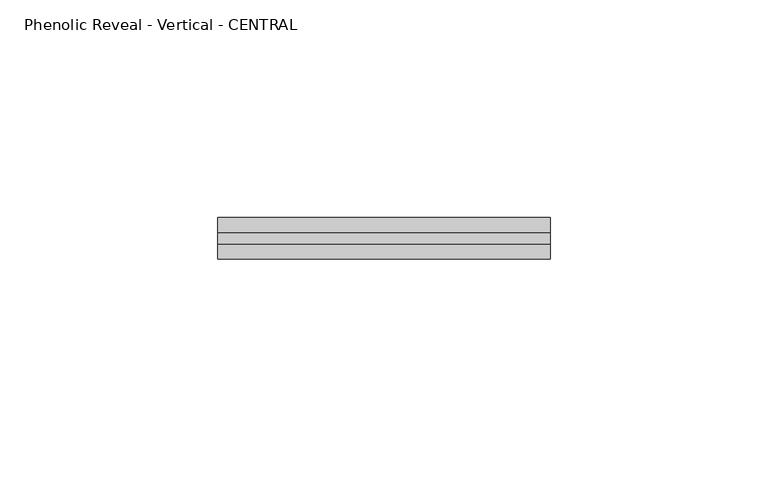
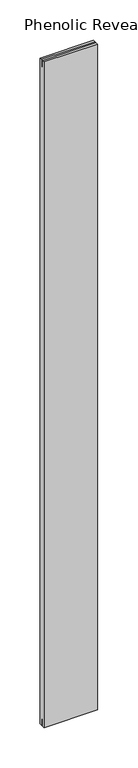
"""IFC4 building model written with IfcOpenShell, lengths in millimetres: proxy geometry, Phenolic Reveal - Vertical - CENTRAL."""

from ifc_helpers import new_model, si_unit, frame, origin, place, context, project, spatial, polyline, outline, extrude, source, transform, mapped, element, save


def phenolic_reveal_vertical_central_ddfded24(model_context):
    return source(origin(), model_context, "Body", "SweptSolid", [
        extrude(outline(polyline([(9.525, 1004.8875), (9.525, 0.0), (6.0765851, 0.0), (6.0765851, 10.8408985), (3.3757545, 10.8408985), (3.3757545, 0.0), (0.0, 0.0), (0.0, 1004.8875), (3.3757545, 1004.8875), (3.3757545, 994.0466015), (6.0765851, 994.0466015), (6.0765851, 1004.8875), (9.525, 1004.8875)])), frame((0.0, 0.0, 0.0), z_axis=(1.0, 0.0, 0.0), x_axis=(0.0, 1.0, 0.0)), (0.0, 0.0, 1.0), 76.2),
    ])


if __name__ == "__main__":
    model = new_model("IFC4")
    model_context = context("Model", 3, world=origin())
    ifc_project = project(units=[si_unit("LENGTHUNIT", "METRE", prefix="MILLI")], contexts=[model_context])
    site = spatial("IfcSite", under=ifc_project)
    building = spatial("IfcBuilding", under=site)
    placement = place(None, origin())
    phenolic_reveal_vertical_central_shape = phenolic_reveal_vertical_central_ddfded24(model_context)
    element("IfcBuildingElementProxy", 1, Name="Phenolic Reveal - Vertical - CENTRAL", ObjectType="Phenolic Reveal - Vertical - CENTRAL", at=placement, inside=building, context=model_context, shape_type="MappedRepresentation", body=[
        mapped(phenolic_reveal_vertical_central_shape, transform((0.0, 0.0, 0.0), x_axis=(1.0, 0.0, 0.0), y_axis=(0.0, 1.0, 0.0), z_axis=(0.0, 0.0, 1.0))),
    ])
    save(model, "model.ifc")
